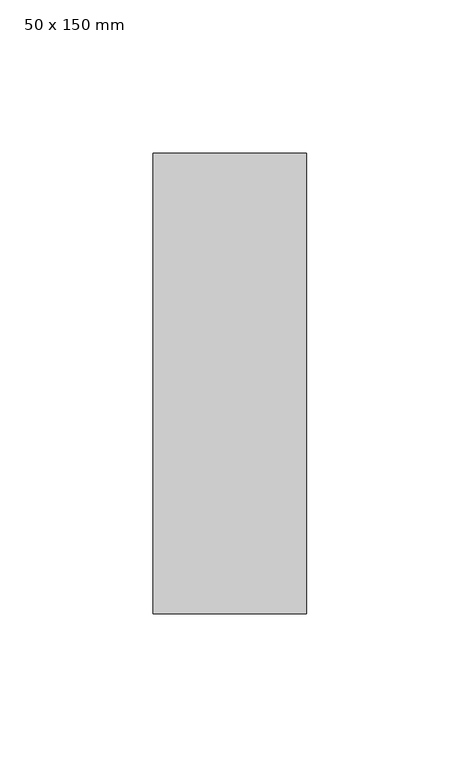
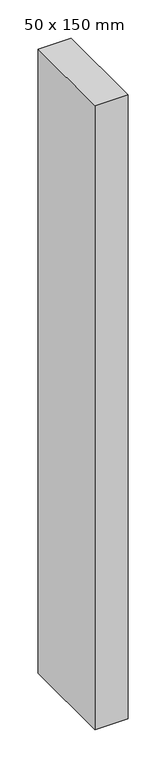
"""IFC4 building model written with IfcOpenShell, lengths in millimetres: member geometry, 50 x 150 mm."""

from ifc_helpers import new_model, si_unit, frame, origin, place, context, project, spatial, polyline, outline, extrude, source, transform, mapped, element, save


def member_50_x_150_mm_eeb88b28(model_context):
    return source(origin(), model_context, "Body", "SweptSolid", [
        extrude(outline(polyline([(0.0, 75.0), (0.0, -75.0), (-50.0, -75.0), (-50.0, 75.0), (0.0, 75.0)])), frame((0.0, 0.0, -1000.0), z_axis=(0.0, 0.0, 1.0), x_axis=(1.0, 0.0, 0.0)), (0.0, 0.0, 1.0), 1000.0),
    ])


if __name__ == "__main__":
    model = new_model("IFC4")
    model_context = context("Model", 3, world=origin())
    ifc_project = project(units=[si_unit("LENGTHUNIT", "METRE", prefix="MILLI")], contexts=[model_context])
    site = spatial("IfcSite", under=ifc_project)
    building = spatial("IfcBuilding", under=site)
    placement = place(None, origin())
    member_50_x_150_mm_shape = member_50_x_150_mm_eeb88b28(model_context)
    element("IfcMember", 1, ObjectType="50 x 150 mm", at=placement, inside=building, context=model_context, shape_type="MappedRepresentation", body=[
        mapped(member_50_x_150_mm_shape, transform((0.0, 0.0, 0.0), x_axis=(1.0, 0.0, 0.0), y_axis=(0.0, 1.0, 0.0), z_axis=(0.0, 0.0, 1.0))),
    ])
    save(model, "model.ifc")
